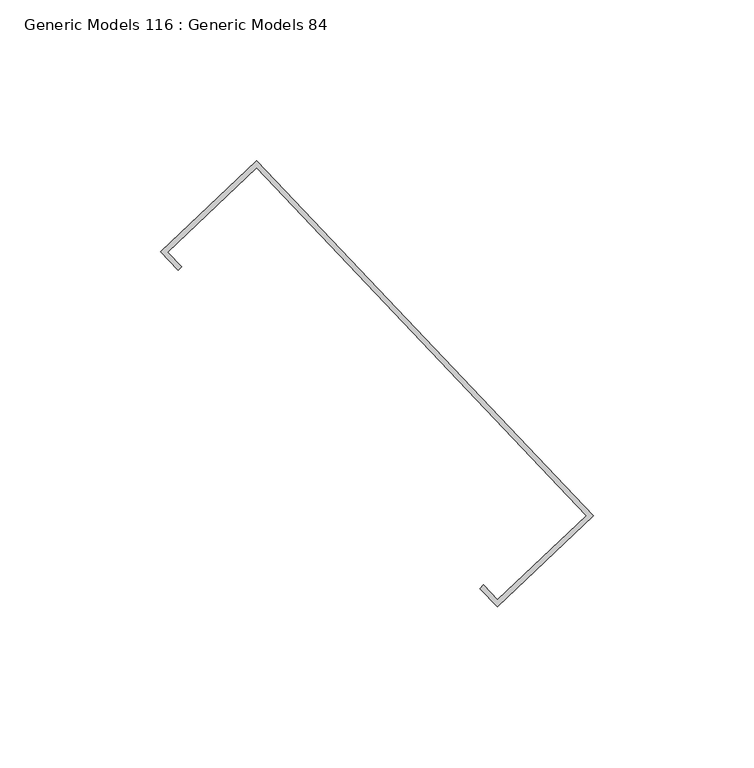
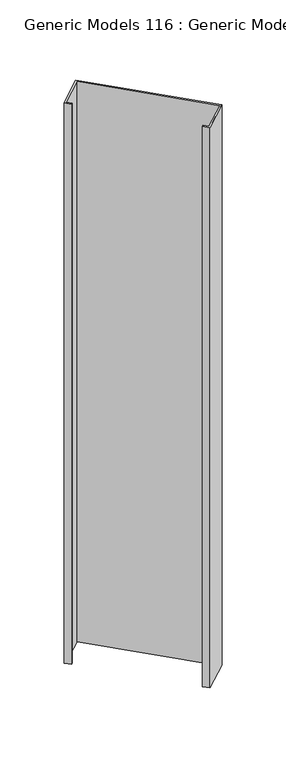
"""IFC4 building model written with IfcOpenShell, lengths in millimetres: proxy geometry, Generic Models 116 : Generic Models 84."""

from ifc_helpers import new_model, si_unit, frame, origin, place, context, project, spatial, polyline, outline, extrude, source, transform, mapped, element, save


def generic_models_116_generic_models_84_35c93caa(model_context):
    return source(origin(), model_context, "Body", "SweptSolid", [
        extrude(outline(polyline([(102317.867922, 42809.9645693), (102287.9280949, 42781.5527342), (102282.4642804, 42787.3103932), (102283.6158122, 42788.4031561), (102287.9868638, 42783.7970289), (102315.6236273, 42810.0233382), (102212.9039158, 42918.2673287), (102185.2671522, 42892.0410194), (102189.6382038, 42887.4348921), (102188.486672, 42886.3421292), (102183.0228575, 42892.0997883), (102212.9626847, 42920.5116234), (102317.867922, 42809.9645693)])), frame((0.0, 0.0, 17119.9175), z_axis=(0.0, 0.0, 1.0), x_axis=(1.0, 0.0, 0.0)), (0.0, 0.0, 1.0), 683.895),
    ])


if __name__ == "__main__":
    model = new_model("IFC4")
    model_context = context("Model", 3, world=origin())
    ifc_project = project(units=[si_unit("LENGTHUNIT", "METRE", prefix="MILLI")], contexts=[model_context])
    site = spatial("IfcSite", under=ifc_project)
    building = spatial("IfcBuilding", under=site)
    placement = place(None, origin())
    generic_models_116_generic_models_84_shape = generic_models_116_generic_models_84_35c93caa(model_context)
    element("IfcBuildingElementProxy", 1, Name="Generic Models 116 : Generic Models 84", ObjectType="Generic Models 116 : Generic Models 84", at=placement, inside=building, context=model_context, shape_type="MappedRepresentation", body=[
        mapped(generic_models_116_generic_models_84_shape, transform((0.0, 0.0, 0.0), x_axis=(1.0, 0.0, 0.0), y_axis=(0.0, 1.0, 0.0), z_axis=(0.0, 0.0, 1.0))),
    ])
    save(model, "model.ifc")
